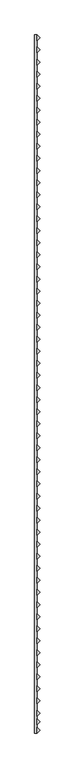
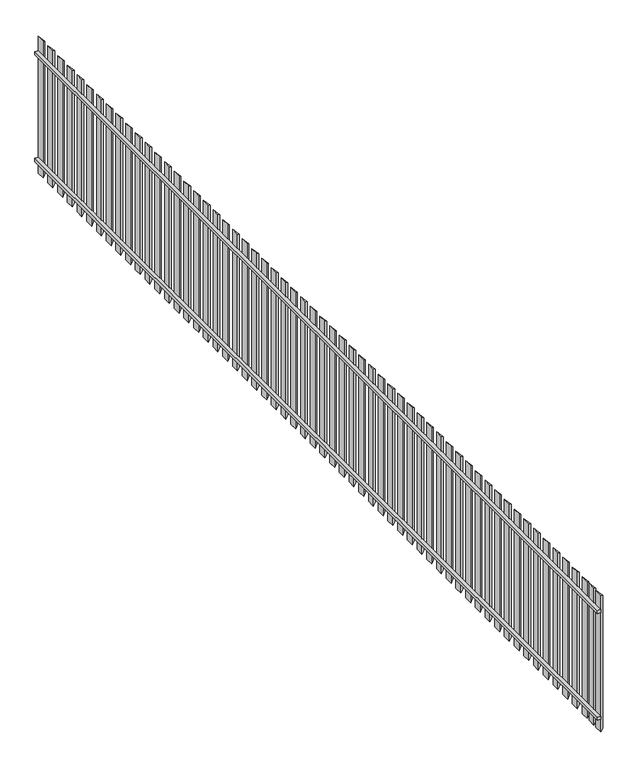
"""IFC4 building model written with IfcOpenShell, lengths in millimetres: railing geometry."""

import ifcopenshell
import ifcopenshell.guid

model = None  # the IFC model being written
_history = None  # IfcOwnerHistory: only IFC2X3 demands one
_inside = {}  # id of a spatial element -> (the spatial element, [elements in it])
_under = {}  # id of a project, library or spatial element -> (it, [spatial elements below it])
_declared = {}  # id of a project -> (the project, [libraries it declares])
_typed = {}  # id of a type object -> (the type object, [elements of that type])
_made_of = {}  # id of a material, layer set ... -> (it, [elements and type objects made of it])


def new_model(schema):
    """Start an empty IFC model of exactly this schema.

    Asked for "IFC4X3", IfcOpenShell would pick the latest addendum, in which some entities
    have other attributes; the version numbers below select the first issue.
    IFC2X3 requires an IfcOwnerHistory on every rooted entity: one is made here for all.
    """
    global model, _history
    if schema == "IFC4X3":
        model = ifcopenshell.file(schema_version=(4, 3, 0, 0))
    else:
        model = ifcopenshell.file(schema=schema)
    _inside.clear()
    _under.clear()
    _declared.clear()
    _typed.clear()
    _made_of.clear()
    _history = None
    if model.schema == "IFC2X3":
        org = make("IfcOrganization", Name="unknown")
        user = make(
            "IfcPersonAndOrganization",
            ThePerson=make("IfcPerson", FamilyName="unknown"),
            TheOrganization=org,
        )
        app = make(
            "IfcApplication",
            ApplicationDeveloper=org,
            Version="unknown",
            ApplicationFullName="unknown",
            ApplicationIdentifier="unknown",
        )
        _history = make(
            "IfcOwnerHistory",
            OwningUser=user,
            OwningApplication=app,
            ChangeAction="ADDED",
            CreationDate=0,
        )
    return model


def make(cls, **values):
    """One entity of the class cls with the attributes given. An attribute that is None is left unset."""
    return model.create_entity(
        cls, **{name: value for name, value in values.items() if value is not None}
    )


def rooted(cls, **values):
    """An entity with a GlobalId (a new one), such as an element, a storey or a relation."""
    return make(cls, GlobalId=ifcopenshell.guid.new(), OwnerHistory=_history, **values)


def si_unit(unit_type, name, prefix=None):
    """IfcSIUnit, for example si_unit("LENGTHUNIT", "METRE", prefix="MILLI")."""
    return make("IfcSIUnit", UnitType=unit_type, Prefix=prefix, Name=name)


def assignment(units):
    """IfcUnitAssignment: the units of a project."""
    return None if units is None else make("IfcUnitAssignment", Units=units)


def point(xyz):
    """IfcCartesianPoint."""
    return None if xyz is None else make("IfcCartesianPoint", Coordinates=xyz)


def direction(xyz):
    """IfcDirection."""
    return None if xyz is None else make("IfcDirection", DirectionRatios=xyz)


def frame(location, z_axis=None, x_axis=None):
    """IfcAxis2Placement3D, a coordinate frame: its origin and axes. An axis left out is left unset."""
    return make(
        "IfcAxis2Placement3D",
        Location=point(location),
        Axis=direction(z_axis),
        RefDirection=direction(x_axis),
    )


def origin():
    """The frame at (0, 0, 0) with its axes left unset."""
    return frame((0.0, 0.0, 0.0))


def place(relative_to, where):
    """IfcLocalPlacement: puts the frame where relative to a parent placement (None: the world)."""
    return make(
        "IfcLocalPlacement", PlacementRelTo=relative_to, RelativePlacement=where
    )


def context(
    kind, dimensions, precision=None, world=None, true_north=None, identifier=None
):
    """IfcGeometricRepresentationContext, for example the 3D "Model" context."""
    return make(
        "IfcGeometricRepresentationContext",
        ContextIdentifier=identifier,
        ContextType=kind,
        CoordinateSpaceDimension=dimensions,
        Precision=precision,
        WorldCoordinateSystem=world,
        TrueNorth=true_north,
    )


def project(units=None, contexts=None):
    """IfcProject with its units and contexts."""
    return rooted(
        "IfcProject",
        Name="project",
        RepresentationContexts=contexts,
        UnitsInContext=assignment(units),
    )


def spatial(cls, under=None, at=None, **own):
    """A site, building, storey or space (cls), placed at a placement, below another one or the project."""
    s = rooted(cls, ObjectPlacement=at, **own)
    if under is not None:
        _under.setdefault(under.id(), (under, []))[1].append(s)
    return s


def polyline(points):
    """IfcPolyline through the points."""
    return make("IfcPolyline", Points=[point(p) for p in points])


def outline(outer, holes=None, kind="AREA"):
    """IfcArbitraryClosedProfileDef: a profile drawn as a closed curve; with holes, ...WithVoids."""
    if holes is None:
        return make("IfcArbitraryClosedProfileDef", ProfileType=kind, OuterCurve=outer)
    return make(
        "IfcArbitraryProfileDefWithVoids",
        ProfileType=kind,
        OuterCurve=outer,
        InnerCurves=holes,
    )


def extrude(swept, where, along, depth):
    """IfcExtrudedAreaSolid: the profile swept, set in the frame where, extruded along a direction by depth."""
    return make(
        "IfcExtrudedAreaSolid",
        SweptArea=swept,
        Position=where,
        ExtrudedDirection=direction(along),
        Depth=depth,
    )


def faces_of(points, faces, orient=None, outer=None):
    """IfcFace entities. A face is a list of loops; a loop is a list of indices into points, from 0.

    orient and outer hold one flag for each loop. By default every Orientation is true, the
    first loop of a face is its IfcFaceOuterBound and the others are IfcFaceBound.
    """
    made = []
    for i, loops in enumerate(faces):
        bounds = []
        for j, loop in enumerate(loops):
            is_outer = j == 0 if outer is None else outer[i][j]
            bounds.append(
                make(
                    "IfcFaceOuterBound" if is_outer else "IfcFaceBound",
                    Bound=make("IfcPolyLoop", Polygon=[points[k] for k in loop]),
                    Orientation=True if orient is None else orient[i][j],
                )
            )
        made.append(make("IfcFace", Bounds=bounds))
    return made


def faceted_brep(points, faces, orient=None, outer=None, voids=None):
    """IfcFacetedBrep: a solid bounded by flat faces; with voids (closed shells), ...WithVoids."""
    shared = [point(p) for p in points]
    hull = make("IfcClosedShell", CfsFaces=faces_of(shared, faces, orient, outer))
    if voids is None:
        return make("IfcFacetedBrep", Outer=hull)
    return make(
        "IfcFacetedBrepWithVoids",
        Outer=hull,
        Voids=[
            make(cls, CfsFaces=faces_of(shared, fs, o, b)) for cls, fs, o, b in voids
        ],
    )


def shape(context_of_items, identifier, shape_type, items):
    """IfcShapeRepresentation: the items that make up one representation, for example the "Body"."""
    return make(
        "IfcShapeRepresentation",
        ContextOfItems=context_of_items,
        RepresentationIdentifier=identifier,
        RepresentationType=shape_type,
        Items=items,
    )


def source(mapping_origin, context_of_items, identifier, shape_type, items):
    """IfcRepresentationMap: a shape defined once, which mapped items show again and again."""
    return make(
        "IfcRepresentationMap",
        MappingOrigin=mapping_origin,
        MappedRepresentation=shape(context_of_items, identifier, shape_type, items),
    )


def transform(
    local_origin,
    x_axis=None,
    y_axis=None,
    z_axis=None,
    scale=None,
    scale2=None,
    scale3=None,
    uniform=True,
):
    """IfcCartesianTransformationOperator3D, or its non-uniform kind. x_axis, y_axis, z_axis: its Axis1, 2, 3."""
    if uniform:
        return make(
            "IfcCartesianTransformationOperator3D",
            Axis1=direction(x_axis),
            Axis2=direction(y_axis),
            LocalOrigin=point(local_origin),
            Scale=scale,
            Axis3=direction(z_axis),
        )
    return make(
        "IfcCartesianTransformationOperator3DnonUniform",
        Axis1=direction(x_axis),
        Axis2=direction(y_axis),
        LocalOrigin=point(local_origin),
        Scale=scale,
        Axis3=direction(z_axis),
        Scale2=scale2,
        Scale3=scale3,
    )


def mapped(mapping_source, mapping_target):
    """IfcMappedItem: shows the shape of a source again, moved by a transform."""
    return make(
        "IfcMappedItem", MappingSource=mapping_source, MappingTarget=mapping_target
    )


def made_of(thing, what):
    """Note that an element or type object is made of a material, layer set ...; save() writes the relation."""
    if what is not None:
        _made_of.setdefault(what.id(), (what, []))[1].append(thing)
    return thing


def element(
    cls,
    number,
    at=None,
    inside=None,
    cuts=None,
    type_object=None,
    material=None,
    context=None,
    identifier="Body",
    shape_type=None,
    held_by="IfcProductDefinitionShape",
    body=None,
    shapes=None,
    **own,
):
    """One element of the class cls, such as IfcWall. Its Tag is "e" and its number.

    at: its placement. inside: the storey or other place that contains it. cuts: it is an
    opening in that element (IfcRelVoidsElement). A single representation is given by context,
    identifier, shape_type and body (its items); several are given by shapes. held_by: the class
    of the entity that holds the representations. save() writes the other relations.
    """
    e = rooted(cls, Tag="e%d" % number, ObjectPlacement=at, **own)
    if body is not None:
        shapes = [shape(context, identifier, shape_type, body)]
    if shapes is not None:
        e.Representation = make(held_by, Representations=shapes)
    if inside is not None:
        _inside.setdefault(inside.id(), (inside, []))[1].append(e)
    if cuts is not None:
        rooted(
            "IfcRelVoidsElement", RelatingBuildingElement=cuts, RelatedOpeningElement=e
        )
    if type_object is not None:
        _typed.setdefault(type_object.id(), (type_object, []))[1].append(e)
    return made_of(e, material)


def aggregate(whole, parts):
    """IfcRelAggregates: a whole, such as a stair, and the parts it consists of."""
    return rooted("IfcRelAggregates", RelatingObject=whole, RelatedObjects=parts)


def save(model, path):
    """Write the relations noted so far, then the file.

    IfcRelAggregates (storeys below a building ...), IfcRelContainedInSpatialStructure (elements
    in a storey), IfcRelDefinesByType, IfcRelAssociatesMaterial and IfcRelDeclares: one each for
    every whole, place, type object, material and project.
    """
    for whole, parts in _under.values():
        aggregate(whole, parts)
    for where, things in _inside.values():
        rooted(
            "IfcRelContainedInSpatialStructure",
            RelatedElements=things,
            RelatingStructure=where,
        )
    for kind, things in _typed.values():
        rooted("IfcRelDefinesByType", RelatedObjects=things, RelatingType=kind)
    for what, things in _made_of.values():
        rooted("IfcRelAssociatesMaterial", RelatedObjects=things, RelatingMaterial=what)
    for by, libraries in _declared.values():
        rooted("IfcRelDeclares", RelatingContext=by, RelatedDefinitions=libraries)
    model.write(path)


def railing_b14b1eb2(model_context):
    return source(origin(), model_context, "Body", "SolidModel", [
        extrude(outline(polyline([(-3468.2075901, -25559.7136765), (-3488.2075901, -25559.7136765), (-3488.2075901, -19768.5136765), (-3468.2075901, -19768.5136765), (-3468.2075901, -25559.7136765)])), frame((0.0, 0.0, 750.0), z_axis=(0.0, 0.0, 1.0), x_axis=(1.0, 0.0, 0.0)), (0.0, 0.0, 1.0), 20.0),
        extrude(outline(polyline([(-3468.2075901, -25559.7136765), (-3488.2075901, -25559.7136765), (-3488.2075901, -19768.5136765), (-3468.2075901, -19768.5136765), (-3468.2075901, -25559.7136765)])), frame((0.0, 0.0, 80.0), z_axis=(0.0, 0.0, 1.0), x_axis=(1.0, 0.0, 0.0)), (0.0, 0.0, 1.0), 20.0),
        faceted_brep([(-3468.2075901, -19768.5136765, 0.0), (-3443.2075901, -19793.5136765, 0.0), (-3468.2075901, -19818.5136765, 0.0), (-3468.2075901, -19768.5136765, 860.0), (-3443.2075901, -19793.5136765, 835.0), (-3468.2075901, -19818.5136765, 860.0)], [[[0, 1, 2]], [[1, 0, 3, 4]], [[2, 1, 4, 5]], [[0, 2, 5, 3]], [[4, 3, 5]]]),
        faceted_brep([(-3468.2075901, -19868.5136765, 0.0), (-3443.2075901, -19893.5136765, 0.0), (-3468.2075901, -19918.5136765, 0.0), (-3468.2075901, -19868.5136765, 860.0), (-3443.2075901, -19893.5136765, 835.0), (-3468.2075901, -19918.5136765, 860.0)], [[[0, 1, 2]], [[1, 0, 3, 4]], [[2, 1, 4, 5]], [[0, 2, 5, 3]], [[4, 3, 5]]]),
        faceted_brep([(-3468.2075901, -19968.5136765, 0.0), (-3443.2075901, -19993.5136765, 0.0), (-3468.2075901, -20018.5136765, 0.0), (-3468.2075901, -19968.5136765, 860.0), (-3443.2075901, -19993.5136765, 835.0), (-3468.2075901, -20018.5136765, 860.0)], [[[0, 1, 2]], [[1, 0, 3, 4]], [[2, 1, 4, 5]], [[0, 2, 5, 3]], [[4, 3, 5]]]),
        faceted_brep([(-3468.2075901, -20068.5136765, 0.0), (-3443.2075901, -20093.5136765, 0.0), (-3468.2075901, -20118.5136765, 0.0), (-3468.2075901, -20068.5136765, 860.0), (-3443.2075901, -20093.5136765, 835.0), (-3468.2075901, -20118.5136765, 860.0)], [[[0, 1, 2]], [[1, 0, 3, 4]], [[2, 1, 4, 5]], [[0, 2, 5, 3]], [[4, 3, 5]]]),
        faceted_brep([(-3468.2075901, -20168.5136765, 0.0), (-3443.2075901, -20193.5136765, 0.0), (-3468.2075901, -20218.5136765, 0.0), (-3468.2075901, -20168.5136765, 860.0), (-3443.2075901, -20193.5136765, 835.0), (-3468.2075901, -20218.5136765, 860.0)], [[[0, 1, 2]], [[1, 0, 3, 4]], [[2, 1, 4, 5]], [[0, 2, 5, 3]], [[4, 3, 5]]]),
        faceted_brep([(-3468.2075901, -20268.5136765, 0.0), (-3443.2075901, -20293.5136765, 0.0), (-3468.2075901, -20318.5136765, 0.0), (-3468.2075901, -20268.5136765, 860.0), (-3443.2075901, -20293.5136765, 835.0), (-3468.2075901, -20318.5136765, 860.0)], [[[0, 1, 2]], [[1, 0, 3, 4]], [[2, 1, 4, 5]], [[0, 2, 5, 3]], [[4, 3, 5]]]),
        faceted_brep([(-3468.2075901, -20368.5136765, 0.0), (-3443.2075901, -20393.5136765, 0.0), (-3468.2075901, -20418.5136765, 0.0), (-3468.2075901, -20368.5136765, 860.0), (-3443.2075901, -20393.5136765, 835.0), (-3468.2075901, -20418.5136765, 860.0)], [[[0, 1, 2]], [[1, 0, 3, 4]], [[2, 1, 4, 5]], [[0, 2, 5, 3]], [[4, 3, 5]]]),
        faceted_brep([(-3468.2075901, -20468.5136765, 0.0), (-3443.2075901, -20493.5136765, 0.0), (-3468.2075901, -20518.5136765, 0.0), (-3468.2075901, -20468.5136765, 860.0), (-3443.2075901, -20493.5136765, 835.0), (-3468.2075901, -20518.5136765, 860.0)], [[[0, 1, 2]], [[1, 0, 3, 4]], [[2, 1, 4, 5]], [[0, 2, 5, 3]], [[4, 3, 5]]]),
        faceted_brep([(-3468.2075901, -20568.5136765, 0.0), (-3443.2075901, -20593.5136765, 0.0), (-3468.2075901, -20618.5136765, 0.0), (-3468.2075901, -20568.5136765, 860.0), (-3443.2075901, -20593.5136765, 835.0), (-3468.2075901, -20618.5136765, 860.0)], [[[0, 1, 2]], [[1, 0, 3, 4]], [[2, 1, 4, 5]], [[0, 2, 5, 3]], [[4, 3, 5]]]),
        faceted_brep([(-3468.2075901, -20668.5136765, 0.0), (-3443.2075901, -20693.5136765, 0.0), (-3468.2075901, -20718.5136765, 0.0), (-3468.2075901, -20668.5136765, 860.0), (-3443.2075901, -20693.5136765, 835.0), (-3468.2075901, -20718.5136765, 860.0)], [[[0, 1, 2]], [[1, 0, 3, 4]], [[2, 1, 4, 5]], [[0, 2, 5, 3]], [[4, 3, 5]]]),
        faceted_brep([(-3468.2075901, -20768.5136765, 0.0), (-3443.2075901, -20793.5136765, 0.0), (-3468.2075901, -20818.5136765, 0.0), (-3468.2075901, -20768.5136765, 860.0), (-3443.2075901, -20793.5136765, 835.0), (-3468.2075901, -20818.5136765, 860.0)], [[[0, 1, 2]], [[1, 0, 3, 4]], [[2, 1, 4, 5]], [[0, 2, 5, 3]], [[4, 3, 5]]]),
        faceted_brep([(-3468.2075901, -20868.5136765, 0.0), (-3443.2075901, -20893.5136765, 0.0), (-3468.2075901, -20918.5136765, 0.0), (-3468.2075901, -20868.5136765, 860.0), (-3443.2075901, -20893.5136765, 835.0), (-3468.2075901, -20918.5136765, 860.0)], [[[0, 1, 2]], [[1, 0, 3, 4]], [[2, 1, 4, 5]], [[0, 2, 5, 3]], [[4, 3, 5]]]),
        faceted_brep([(-3468.2075901, -20968.5136765, 0.0), (-3443.2075901, -20993.5136765, 0.0), (-3468.2075901, -21018.5136765, 0.0), (-3468.2075901, -20968.5136765, 860.0), (-3443.2075901, -20993.5136765, 835.0), (-3468.2075901, -21018.5136765, 860.0)], [[[0, 1, 2]], [[1, 0, 3, 4]], [[2, 1, 4, 5]], [[0, 2, 5, 3]], [[4, 3, 5]]]),
        faceted_brep([(-3468.2075901, -21068.5136765, 0.0), (-3443.2075901, -21093.5136765, 0.0), (-3468.2075901, -21118.5136765, 0.0), (-3468.2075901, -21068.5136765, 860.0), (-3443.2075901, -21093.5136765, 835.0), (-3468.2075901, -21118.5136765, 860.0)], [[[0, 1, 2]], [[1, 0, 3, 4]], [[2, 1, 4, 5]], [[0, 2, 5, 3]], [[4, 3, 5]]]),
        faceted_brep([(-3468.2075901, -21168.5136765, 0.0), (-3443.2075901, -21193.5136765, 0.0), (-3468.2075901, -21218.5136765, 0.0), (-3468.2075901, -21168.5136765, 860.0), (-3443.2075901, -21193.5136765, 835.0), (-3468.2075901, -21218.5136765, 860.0)], [[[0, 1, 2]], [[1, 0, 3, 4]], [[2, 1, 4, 5]], [[0, 2, 5, 3]], [[4, 3, 5]]]),
        faceted_brep([(-3468.2075901, -21268.5136765, 0.0), (-3443.2075901, -21293.5136765, 0.0), (-3468.2075901, -21318.5136765, 0.0), (-3468.2075901, -21268.5136765, 860.0), (-3443.2075901, -21293.5136765, 835.0), (-3468.2075901, -21318.5136765, 860.0)], [[[0, 1, 2]], [[1, 0, 3, 4]], [[2, 1, 4, 5]], [[0, 2, 5, 3]], [[4, 3, 5]]]),
        faceted_brep([(-3468.2075901, -21368.5136765, 0.0), (-3443.2075901, -21393.5136765, 0.0), (-3468.2075901, -21418.5136765, 0.0), (-3468.2075901, -21368.5136765, 860.0), (-3443.2075901, -21393.5136765, 835.0), (-3468.2075901, -21418.5136765, 860.0)], [[[0, 1, 2]], [[1, 0, 3, 4]], [[2, 1, 4, 5]], [[0, 2, 5, 3]], [[4, 3, 5]]]),
        faceted_brep([(-3468.2075901, -21468.5136765, 0.0), (-3443.2075901, -21493.5136765, 0.0), (-3468.2075901, -21518.5136765, 0.0), (-3468.2075901, -21468.5136765, 860.0), (-3443.2075901, -21493.5136765, 835.0), (-3468.2075901, -21518.5136765, 860.0)], [[[0, 1, 2]], [[1, 0, 3, 4]], [[2, 1, 4, 5]], [[0, 2, 5, 3]], [[4, 3, 5]]]),
        faceted_brep([(-3468.2075901, -21568.5136765, 0.0), (-3443.2075901, -21593.5136765, 0.0), (-3468.2075901, -21618.5136765, 0.0), (-3468.2075901, -21568.5136765, 860.0), (-3443.2075901, -21593.5136765, 835.0), (-3468.2075901, -21618.5136765, 860.0)], [[[0, 1, 2]], [[1, 0, 3, 4]], [[2, 1, 4, 5]], [[0, 2, 5, 3]], [[4, 3, 5]]]),
        faceted_brep([(-3468.2075901, -21668.5136765, 0.0), (-3443.2075901, -21693.5136765, 0.0), (-3468.2075901, -21718.5136765, 0.0), (-3468.2075901, -21668.5136765, 860.0), (-3443.2075901, -21693.5136765, 835.0), (-3468.2075901, -21718.5136765, 860.0)], [[[0, 1, 2]], [[1, 0, 3, 4]], [[2, 1, 4, 5]], [[0, 2, 5, 3]], [[4, 3, 5]]]),
        faceted_brep([(-3468.2075901, -21768.5136765, 0.0), (-3443.2075901, -21793.5136765, 0.0), (-3468.2075901, -21818.5136765, 0.0), (-3468.2075901, -21768.5136765, 860.0), (-3443.2075901, -21793.5136765, 835.0), (-3468.2075901, -21818.5136765, 860.0)], [[[0, 1, 2]], [[1, 0, 3, 4]], [[2, 1, 4, 5]], [[0, 2, 5, 3]], [[4, 3, 5]]]),
        faceted_brep([(-3468.2075901, -21868.5136765, 0.0), (-3443.2075901, -21893.5136765, 0.0), (-3468.2075901, -21918.5136765, 0.0), (-3468.2075901, -21868.5136765, 860.0), (-3443.2075901, -21893.5136765, 835.0), (-3468.2075901, -21918.5136765, 860.0)], [[[0, 1, 2]], [[1, 0, 3, 4]], [[2, 1, 4, 5]], [[0, 2, 5, 3]], [[4, 3, 5]]]),
        faceted_brep([(-3468.2075901, -21968.5136765, 0.0), (-3443.2075901, -21993.5136765, 0.0), (-3468.2075901, -22018.5136765, 0.0), (-3468.2075901, -21968.5136765, 860.0), (-3443.2075901, -21993.5136765, 835.0), (-3468.2075901, -22018.5136765, 860.0)], [[[0, 1, 2]], [[1, 0, 3, 4]], [[2, 1, 4, 5]], [[0, 2, 5, 3]], [[4, 3, 5]]]),
        faceted_brep([(-3468.2075901, -22068.5136765, 0.0), (-3443.2075901, -22093.5136765, 0.0), (-3468.2075901, -22118.5136765, 0.0), (-3468.2075901, -22068.5136765, 860.0), (-3443.2075901, -22093.5136765, 835.0), (-3468.2075901, -22118.5136765, 860.0)], [[[0, 1, 2]], [[1, 0, 3, 4]], [[2, 1, 4, 5]], [[0, 2, 5, 3]], [[4, 3, 5]]]),
        faceted_brep([(-3468.2075901, -22168.5136765, 0.0), (-3443.2075901, -22193.5136765, 0.0), (-3468.2075901, -22218.5136765, 0.0), (-3468.2075901, -22168.5136765, 860.0), (-3443.2075901, -22193.5136765, 835.0), (-3468.2075901, -22218.5136765, 860.0)], [[[0, 1, 2]], [[1, 0, 3, 4]], [[2, 1, 4, 5]], [[0, 2, 5, 3]], [[4, 3, 5]]]),
        faceted_brep([(-3468.2075901, -22268.5136765, 0.0), (-3443.2075901, -22293.5136765, 0.0), (-3468.2075901, -22318.5136765, 0.0), (-3468.2075901, -22268.5136765, 860.0), (-3443.2075901, -22293.5136765, 835.0), (-3468.2075901, -22318.5136765, 860.0)], [[[0, 1, 2]], [[1, 0, 3, 4]], [[2, 1, 4, 5]], [[0, 2, 5, 3]], [[4, 3, 5]]]),
        faceted_brep([(-3468.2075901, -22368.5136765, 0.0), (-3443.2075901, -22393.5136765, 0.0), (-3468.2075901, -22418.5136765, 0.0), (-3468.2075901, -22368.5136765, 860.0), (-3443.2075901, -22393.5136765, 835.0), (-3468.2075901, -22418.5136765, 860.0)], [[[0, 1, 2]], [[1, 0, 3, 4]], [[2, 1, 4, 5]], [[0, 2, 5, 3]], [[4, 3, 5]]]),
        faceted_brep([(-3468.2075901, -22468.5136765, 0.0), (-3443.2075901, -22493.5136765, 0.0), (-3468.2075901, -22518.5136765, 0.0), (-3468.2075901, -22468.5136765, 860.0), (-3443.2075901, -22493.5136765, 835.0), (-3468.2075901, -22518.5136765, 860.0)], [[[0, 1, 2]], [[1, 0, 3, 4]], [[2, 1, 4, 5]], [[0, 2, 5, 3]], [[4, 3, 5]]]),
        faceted_brep([(-3468.2075901, -22568.5136765, 0.0), (-3443.2075901, -22593.5136765, 0.0), (-3468.2075901, -22618.5136765, 0.0), (-3468.2075901, -22568.5136765, 860.0), (-3443.2075901, -22593.5136765, 835.0), (-3468.2075901, -22618.5136765, 860.0)], [[[0, 1, 2]], [[1, 0, 3, 4]], [[2, 1, 4, 5]], [[0, 2, 5, 3]], [[4, 3, 5]]]),
        faceted_brep([(-3468.2075901, -22668.5136765, 0.0), (-3443.2075901, -22693.5136765, 0.0), (-3468.2075901, -22718.5136765, 0.0), (-3468.2075901, -22668.5136765, 860.0), (-3443.2075901, -22693.5136765, 835.0), (-3468.2075901, -22718.5136765, 860.0)], [[[0, 1, 2]], [[1, 0, 3, 4]], [[2, 1, 4, 5]], [[0, 2, 5, 3]], [[4, 3, 5]]]),
        faceted_brep([(-3468.2075901, -22768.5136765, 0.0), (-3443.2075901, -22793.5136765, 0.0), (-3468.2075901, -22818.5136765, 0.0), (-3468.2075901, -22768.5136765, 860.0), (-3443.2075901, -22793.5136765, 835.0), (-3468.2075901, -22818.5136765, 860.0)], [[[0, 1, 2]], [[1, 0, 3, 4]], [[2, 1, 4, 5]], [[0, 2, 5, 3]], [[4, 3, 5]]]),
        faceted_brep([(-3468.2075901, -22868.5136765, 0.0), (-3443.2075901, -22893.5136765, 0.0), (-3468.2075901, -22918.5136765, 0.0), (-3468.2075901, -22868.5136765, 860.0), (-3443.2075901, -22893.5136765, 835.0), (-3468.2075901, -22918.5136765, 860.0)], [[[0, 1, 2]], [[1, 0, 3, 4]], [[2, 1, 4, 5]], [[0, 2, 5, 3]], [[4, 3, 5]]]),
        faceted_brep([(-3468.2075901, -22968.5136765, 0.0), (-3443.2075901, -22993.5136765, 0.0), (-3468.2075901, -23018.5136765, 0.0), (-3468.2075901, -22968.5136765, 860.0), (-3443.2075901, -22993.5136765, 835.0), (-3468.2075901, -23018.5136765, 860.0)], [[[0, 1, 2]], [[1, 0, 3, 4]], [[2, 1, 4, 5]], [[0, 2, 5, 3]], [[4, 3, 5]]]),
        faceted_brep([(-3468.2075901, -23068.5136765, 0.0), (-3443.2075901, -23093.5136765, 0.0), (-3468.2075901, -23118.5136765, 0.0), (-3468.2075901, -23068.5136765, 860.0), (-3443.2075901, -23093.5136765, 835.0), (-3468.2075901, -23118.5136765, 860.0)], [[[0, 1, 2]], [[1, 0, 3, 4]], [[2, 1, 4, 5]], [[0, 2, 5, 3]], [[4, 3, 5]]]),
        faceted_brep([(-3468.2075901, -23168.5136765, 0.0), (-3443.2075901, -23193.5136765, 0.0), (-3468.2075901, -23218.5136765, 0.0), (-3468.2075901, -23168.5136765, 860.0), (-3443.2075901, -23193.5136765, 835.0), (-3468.2075901, -23218.5136765, 860.0)], [[[0, 1, 2]], [[1, 0, 3, 4]], [[2, 1, 4, 5]], [[0, 2, 5, 3]], [[4, 3, 5]]]),
        faceted_brep([(-3468.2075901, -23268.5136765, 0.0), (-3443.2075901, -23293.5136765, 0.0), (-3468.2075901, -23318.5136765, 0.0), (-3468.2075901, -23268.5136765, 860.0), (-3443.2075901, -23293.5136765, 835.0), (-3468.2075901, -23318.5136765, 860.0)], [[[0, 1, 2]], [[1, 0, 3, 4]], [[2, 1, 4, 5]], [[0, 2, 5, 3]], [[4, 3, 5]]]),
        faceted_brep([(-3468.2075901, -23368.5136765, 0.0), (-3443.2075901, -23393.5136765, 0.0), (-3468.2075901, -23418.5136765, 0.0), (-3468.2075901, -23368.5136765, 860.0), (-3443.2075901, -23393.5136765, 835.0), (-3468.2075901, -23418.5136765, 860.0)], [[[0, 1, 2]], [[1, 0, 3, 4]], [[2, 1, 4, 5]], [[0, 2, 5, 3]], [[4, 3, 5]]]),
        faceted_brep([(-3468.2075901, -23468.5136765, 0.0), (-3443.2075901, -23493.5136765, 0.0), (-3468.2075901, -23518.5136765, 0.0), (-3468.2075901, -23468.5136765, 860.0), (-3443.2075901, -23493.5136765, 835.0), (-3468.2075901, -23518.5136765, 860.0)], [[[0, 1, 2]], [[1, 0, 3, 4]], [[2, 1, 4, 5]], [[0, 2, 5, 3]], [[4, 3, 5]]]),
        faceted_brep([(-3468.2075901, -23568.5136765, 0.0), (-3443.2075901, -23593.5136765, 0.0), (-3468.2075901, -23618.5136765, 0.0), (-3468.2075901, -23568.5136765, 860.0), (-3443.2075901, -23593.5136765, 835.0), (-3468.2075901, -23618.5136765, 860.0)], [[[0, 1, 2]], [[1, 0, 3, 4]], [[2, 1, 4, 5]], [[0, 2, 5, 3]], [[4, 3, 5]]]),
        faceted_brep([(-3468.2075901, -23668.5136765, 0.0), (-3443.2075901, -23693.5136765, 0.0), (-3468.2075901, -23718.5136765, 0.0), (-3468.2075901, -23668.5136765, 860.0), (-3443.2075901, -23693.5136765, 835.0), (-3468.2075901, -23718.5136765, 860.0)], [[[0, 1, 2]], [[1, 0, 3, 4]], [[2, 1, 4, 5]], [[0, 2, 5, 3]], [[4, 3, 5]]]),
        faceted_brep([(-3468.2075901, -23768.5136765, 0.0), (-3443.2075901, -23793.5136765, 0.0), (-3468.2075901, -23818.5136765, 0.0), (-3468.2075901, -23768.5136765, 860.0), (-3443.2075901, -23793.5136765, 835.0), (-3468.2075901, -23818.5136765, 860.0)], [[[0, 1, 2]], [[1, 0, 3, 4]], [[2, 1, 4, 5]], [[0, 2, 5, 3]], [[4, 3, 5]]]),
        faceted_brep([(-3468.2075901, -23868.5136765, 0.0), (-3443.2075901, -23893.5136765, 0.0), (-3468.2075901, -23918.5136765, 0.0), (-3468.2075901, -23868.5136765, 860.0), (-3443.2075901, -23893.5136765, 835.0), (-3468.2075901, -23918.5136765, 860.0)], [[[0, 1, 2]], [[1, 0, 3, 4]], [[2, 1, 4, 5]], [[0, 2, 5, 3]], [[4, 3, 5]]]),
        faceted_brep([(-3468.2075901, -23968.5136765, 0.0), (-3443.2075901, -23993.5136765, 0.0), (-3468.2075901, -24018.5136765, 0.0), (-3468.2075901, -23968.5136765, 860.0), (-3443.2075901, -23993.5136765, 835.0), (-3468.2075901, -24018.5136765, 860.0)], [[[0, 1, 2]], [[1, 0, 3, 4]], [[2, 1, 4, 5]], [[0, 2, 5, 3]], [[4, 3, 5]]]),
        faceted_brep([(-3468.2075901, -24068.5136765, 0.0), (-3443.2075901, -24093.5136765, 0.0), (-3468.2075901, -24118.5136765, 0.0), (-3468.2075901, -24068.5136765, 860.0), (-3443.2075901, -24093.5136765, 835.0), (-3468.2075901, -24118.5136765, 860.0)], [[[0, 1, 2]], [[1, 0, 3, 4]], [[2, 1, 4, 5]], [[0, 2, 5, 3]], [[4, 3, 5]]]),
        faceted_brep([(-3468.2075901, -24168.5136765, 0.0), (-3443.2075901, -24193.5136765, 0.0), (-3468.2075901, -24218.5136765, 0.0), (-3468.2075901, -24168.5136765, 860.0), (-3443.2075901, -24193.5136765, 835.0), (-3468.2075901, -24218.5136765, 860.0)], [[[0, 1, 2]], [[1, 0, 3, 4]], [[2, 1, 4, 5]], [[0, 2, 5, 3]], [[4, 3, 5]]]),
        faceted_brep([(-3468.2075901, -24268.5136765, 0.0), (-3443.2075901, -24293.5136765, 0.0), (-3468.2075901, -24318.5136765, 0.0), (-3468.2075901, -24268.5136765, 860.0), (-3443.2075901, -24293.5136765, 835.0), (-3468.2075901, -24318.5136765, 860.0)], [[[0, 1, 2]], [[1, 0, 3, 4]], [[2, 1, 4, 5]], [[0, 2, 5, 3]], [[4, 3, 5]]]),
        faceted_brep([(-3468.2075901, -24368.5136765, 0.0), (-3443.2075901, -24393.5136765, 0.0), (-3468.2075901, -24418.5136765, 0.0), (-3468.2075901, -24368.5136765, 860.0), (-3443.2075901, -24393.5136765, 835.0), (-3468.2075901, -24418.5136765, 860.0)], [[[0, 1, 2]], [[1, 0, 3, 4]], [[2, 1, 4, 5]], [[0, 2, 5, 3]], [[4, 3, 5]]]),
        faceted_brep([(-3468.2075901, -24468.5136765, 0.0), (-3443.2075901, -24493.5136765, 0.0), (-3468.2075901, -24518.5136765, 0.0), (-3468.2075901, -24468.5136765, 860.0), (-3443.2075901, -24493.5136765, 835.0), (-3468.2075901, -24518.5136765, 860.0)], [[[0, 1, 2]], [[1, 0, 3, 4]], [[2, 1, 4, 5]], [[0, 2, 5, 3]], [[4, 3, 5]]]),
        faceted_brep([(-3468.2075901, -24568.5136765, 0.0), (-3443.2075901, -24593.5136765, 0.0), (-3468.2075901, -24618.5136765, 0.0), (-3468.2075901, -24568.5136765, 860.0), (-3443.2075901, -24593.5136765, 835.0), (-3468.2075901, -24618.5136765, 860.0)], [[[0, 1, 2]], [[1, 0, 3, 4]], [[2, 1, 4, 5]], [[0, 2, 5, 3]], [[4, 3, 5]]]),
        faceted_brep([(-3468.2075901, -24668.5136765, 0.0), (-3443.2075901, -24693.5136765, 0.0), (-3468.2075901, -24718.5136765, 0.0), (-3468.2075901, -24668.5136765, 860.0), (-3443.2075901, -24693.5136765, 835.0), (-3468.2075901, -24718.5136765, 860.0)], [[[0, 1, 2]], [[1, 0, 3, 4]], [[2, 1, 4, 5]], [[0, 2, 5, 3]], [[4, 3, 5]]]),
        faceted_brep([(-3468.2075901, -24768.5136765, 0.0), (-3443.2075901, -24793.5136765, 0.0), (-3468.2075901, -24818.5136765, 0.0), (-3468.2075901, -24768.5136765, 860.0), (-3443.2075901, -24793.5136765, 835.0), (-3468.2075901, -24818.5136765, 860.0)], [[[0, 1, 2]], [[1, 0, 3, 4]], [[2, 1, 4, 5]], [[0, 2, 5, 3]], [[4, 3, 5]]]),
        faceted_brep([(-3468.2075901, -24868.5136765, 0.0), (-3443.2075901, -24893.5136765, 0.0), (-3468.2075901, -24918.5136765, 0.0), (-3468.2075901, -24868.5136765, 860.0), (-3443.2075901, -24893.5136765, 835.0), (-3468.2075901, -24918.5136765, 860.0)], [[[0, 1, 2]], [[1, 0, 3, 4]], [[2, 1, 4, 5]], [[0, 2, 5, 3]], [[4, 3, 5]]]),
        faceted_brep([(-3468.2075901, -24968.5136765, 0.0), (-3443.2075901, -24993.5136765, 0.0), (-3468.2075901, -25018.5136765, 0.0), (-3468.2075901, -24968.5136765, 860.0), (-3443.2075901, -24993.5136765, 835.0), (-3468.2075901, -25018.5136765, 860.0)], [[[0, 1, 2]], [[1, 0, 3, 4]], [[2, 1, 4, 5]], [[0, 2, 5, 3]], [[4, 3, 5]]]),
        faceted_brep([(-3468.2075901, -25068.5136765, 0.0), (-3443.2075901, -25093.5136765, 0.0), (-3468.2075901, -25118.5136765, 0.0), (-3468.2075901, -25068.5136765, 860.0), (-3443.2075901, -25093.5136765, 835.0), (-3468.2075901, -25118.5136765, 860.0)], [[[0, 1, 2]], [[1, 0, 3, 4]], [[2, 1, 4, 5]], [[0, 2, 5, 3]], [[4, 3, 5]]]),
        faceted_brep([(-3468.2075901, -25168.5136765, 0.0), (-3443.2075901, -25193.5136765, 0.0), (-3468.2075901, -25218.5136765, 0.0), (-3468.2075901, -25168.5136765, 860.0), (-3443.2075901, -25193.5136765, 835.0), (-3468.2075901, -25218.5136765, 860.0)], [[[0, 1, 2]], [[1, 0, 3, 4]], [[2, 1, 4, 5]], [[0, 2, 5, 3]], [[4, 3, 5]]]),
        faceted_brep([(-3468.2075901, -25268.5136765, 0.0), (-3443.2075901, -25293.5136765, 0.0), (-3468.2075901, -25318.5136765, 0.0), (-3468.2075901, -25268.5136765, 860.0), (-3443.2075901, -25293.5136765, 835.0), (-3468.2075901, -25318.5136765, 860.0)], [[[0, 1, 2]], [[1, 0, 3, 4]], [[2, 1, 4, 5]], [[0, 2, 5, 3]], [[4, 3, 5]]]),
        faceted_brep([(-3468.2075901, -25368.5136765, 0.0), (-3443.2075901, -25393.5136765, 0.0), (-3468.2075901, -25418.5136765, 0.0), (-3468.2075901, -25368.5136765, 860.0), (-3443.2075901, -25393.5136765, 835.0), (-3468.2075901, -25418.5136765, 860.0)], [[[0, 1, 2]], [[1, 0, 3, 4]], [[2, 1, 4, 5]], [[0, 2, 5, 3]], [[4, 3, 5]]]),
        faceted_brep([(-3468.2075901, -25439.1136765, 0.0), (-3443.2075901, -25464.1136765, 0.0), (-3468.2075901, -25489.1136765, 0.0), (-3468.2075901, -25439.1136765, 860.0), (-3443.2075901, -25464.1136765, 835.0), (-3468.2075901, -25489.1136765, 860.0)], [[[0, 1, 2]], [[1, 0, 3, 4]], [[2, 1, 4, 5]], [[0, 2, 5, 3]], [[4, 3, 5]]]),
        faceted_brep([(-3468.2075901, -25509.7136765, 0.0), (-3443.2075901, -25534.7136765, 0.0), (-3468.2075901, -25559.7136765, 0.0), (-3468.2075901, -25509.7136765, 860.0), (-3443.2075901, -25534.7136765, 835.0), (-3468.2075901, -25559.7136765, 860.0)], [[[0, 1, 2]], [[1, 0, 3, 4]], [[2, 1, 4, 5]], [[0, 2, 5, 3]], [[4, 3, 5]]]),
    ])


if __name__ == "__main__":
    model = new_model("IFC4")
    model_context = context("Model", 3, world=origin())
    ifc_project = project(units=[si_unit("LENGTHUNIT", "METRE", prefix="MILLI")], contexts=[model_context])
    site = spatial("IfcSite", under=ifc_project)
    building = spatial("IfcBuilding", under=site)
    placement = place(None, origin())
    railing_shape = railing_b14b1eb2(model_context)
    element("IfcRailing", 1, at=placement, inside=building, context=model_context, shape_type="MappedRepresentation", body=[
        mapped(railing_shape, transform((0.0, 0.0, 0.0), x_axis=(1.0, 0.0, 0.0), y_axis=(0.0, 1.0, 0.0), z_axis=(0.0, 0.0, 1.0))),
    ])
    save(model, "model.ifc")
